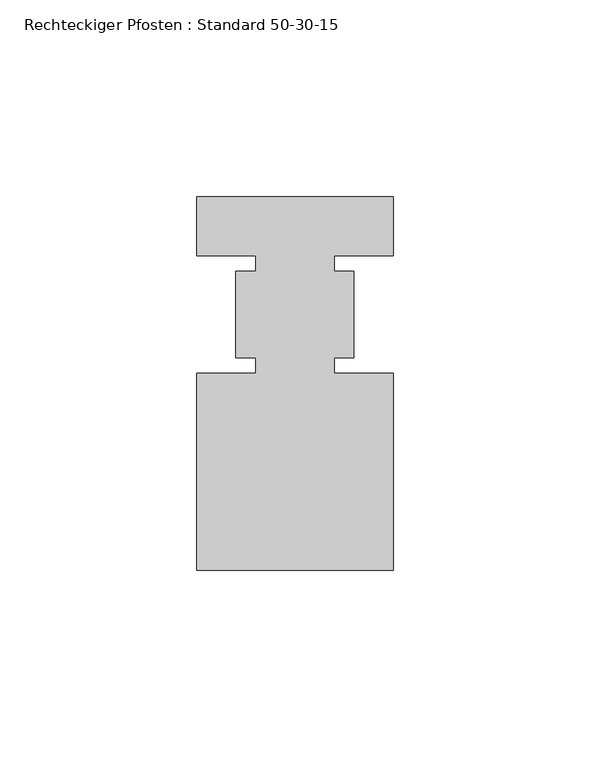
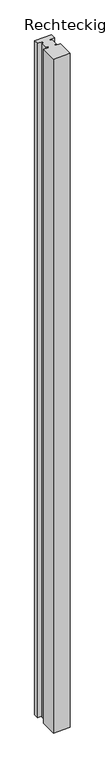
"""IFC4 building model written with IfcOpenShell, lengths in millimetres: member geometry, Rechteckiger Pfosten : Standard 50-30-15."""

from ifc_helpers import new_model, si_unit, frame, origin, place, context, project, spatial, polyline, outline, extrude, source, transform, mapped, element, save


def rechteckiger_pfosten_standard_50_30_15_7eb2740c(model_context):
    return source(origin(), model_context, "Body", "SweptSolid", [
        extrude(outline(polyline([(-25.0, -65.0), (-25.0, -15.0), (-10.0, -15.0), (-10.0, -11.0), (-15.0, -11.0), (-15.0, 11.0), (-10.0, 11.0), (-10.0, 15.0), (-25.0, 15.0), (-25.0, 30.0), (25.0, 30.0), (25.0, 15.0), (10.0, 15.0), (10.0, 11.0), (15.0, 11.0), (15.0, -11.0), (10.0, -11.0), (10.0, -15.0), (25.0, -15.0), (25.0, -65.0), (-25.0, -65.0)])), frame((0.0, 0.0, -2100.0), z_axis=(0.0, 0.0, 1.0), x_axis=(1.0, 0.0, 0.0)), (0.0, 0.0, 1.0), 2100.0),
    ])


if __name__ == "__main__":
    model = new_model("IFC4")
    model_context = context("Model", 3, world=origin())
    ifc_project = project(units=[si_unit("LENGTHUNIT", "METRE", prefix="MILLI")], contexts=[model_context])
    site = spatial("IfcSite", under=ifc_project)
    building = spatial("IfcBuilding", under=site)
    placement = place(None, origin())
    rechteckiger_pfosten_standard_50_30_15_shape = rechteckiger_pfosten_standard_50_30_15_7eb2740c(model_context)
    element("IfcMember", 1, ObjectType="Rechteckiger Pfosten : Standard 50-30-15", at=placement, inside=building, context=model_context, shape_type="MappedRepresentation", body=[
        mapped(rechteckiger_pfosten_standard_50_30_15_shape, transform((0.0, 0.0, 0.0), x_axis=(1.0, 0.0, 0.0), y_axis=(0.0, 1.0, 0.0), z_axis=(0.0, 0.0, 1.0))),
    ])
    save(model, "model.ifc")
